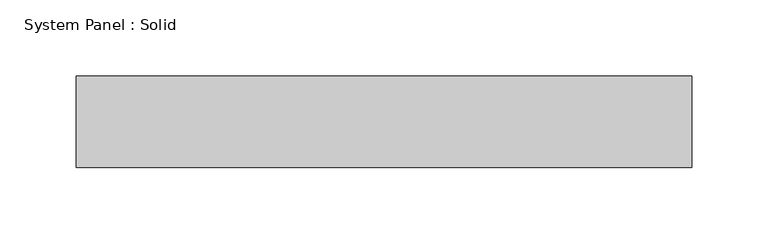
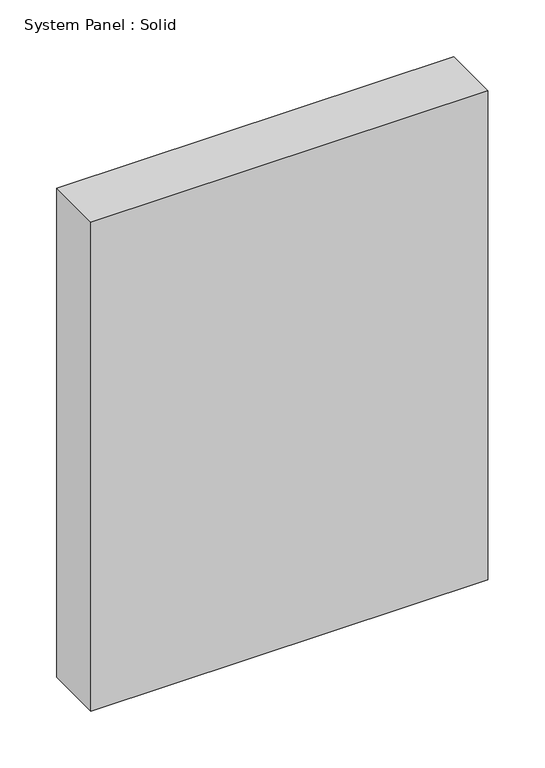
"""IFC4 building model written with IfcOpenShell, lengths in millimetres: plate geometry, System Panel : Solid."""

from ifc_helpers import new_model, si_unit, origin, origin_with_axes, place, context, project, spatial, polyline, outline, extrude, source, transform, mapped, element, save


def system_panel_solid_3c050a85(model_context):
    return source(origin(), model_context, "Body", "SweptSolid", [
        extrude(outline(polyline([(201.5945923, -49.5), (-201.5945923, -49.5), (-201.5945923, 10.5), (201.5945923, 10.5), (201.5945923, -49.5)])), origin_with_axes(), (0.0, 0.0, 1.0), 525.0),
    ])


if __name__ == "__main__":
    model = new_model("IFC4")
    model_context = context("Model", 3, world=origin())
    ifc_project = project(units=[si_unit("LENGTHUNIT", "METRE", prefix="MILLI")], contexts=[model_context])
    site = spatial("IfcSite", under=ifc_project)
    building = spatial("IfcBuilding", under=site)
    placement = place(None, origin())
    system_panel_solid_shape = system_panel_solid_3c050a85(model_context)
    element("IfcPlate", 1, ObjectType="System Panel : Solid", at=placement, inside=building, context=model_context, shape_type="MappedRepresentation", body=[
        mapped(system_panel_solid_shape, transform((0.0, 0.0, 0.0), x_axis=(1.0, 0.0, 0.0), y_axis=(0.0, 1.0, 0.0), z_axis=(0.0, 0.0, 1.0))),
    ])
    save(model, "model.ifc")
